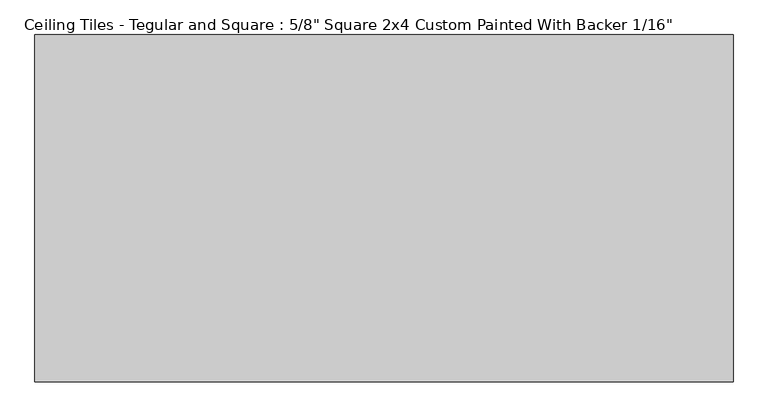
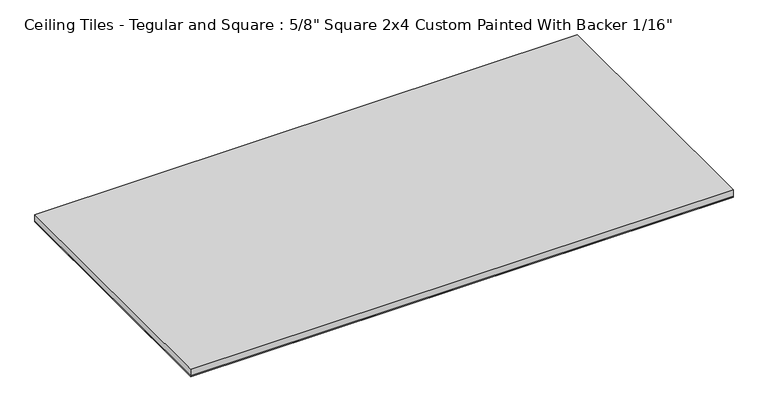
"""IFC4 building model written with IfcOpenShell, lengths in millimetres: proxy geometry."""

from ifc_helpers import new_model, si_unit, frame, origin, origin_with_axes, place, context, project, spatial, polyline, outline, extrude, source, transform, mapped, element, save


def proxy_850522a2(model_context):
    return source(origin(), model_context, "Body", "SweptSolid", [
        extrude(outline(polyline([(606.425, 301.625), (606.425, -301.625), (-606.425, -301.625), (-606.425, 301.625), (606.425, 301.625)])), origin_with_axes(), (0.0, 0.0, 1.0), 1.5875),
        extrude(outline(polyline([(-606.425, 301.625), (606.425, 301.625), (606.425, -301.625), (-606.425, -301.625), (-606.425, 301.625)])), frame((0.0, 0.0, 1.5875), z_axis=(0.0, 0.0, 1.0), x_axis=(1.0, 0.0, 0.0)), (0.0, 0.0, 1.0), 15.875),
    ])


if __name__ == "__main__":
    model = new_model("IFC4")
    model_context = context("Model", 3, world=origin())
    ifc_project = project(units=[si_unit("LENGTHUNIT", "METRE", prefix="MILLI")], contexts=[model_context])
    site = spatial("IfcSite", under=ifc_project)
    building = spatial("IfcBuilding", under=site)
    placement = place(None, origin())
    proxy_shape = proxy_850522a2(model_context)
    element("IfcBuildingElementProxy", 1, Name="Ceiling Tiles - Tegular and Square : 5/8\" Square 2x4 Custom Painted With Backer 1/16\"", ObjectType="Ceiling Tiles - Tegular and Square : 5/8\" Square 2x4 Custom Painted With Backer 1/16\"", at=placement, inside=building, context=model_context, shape_type="MappedRepresentation", body=[
        mapped(proxy_shape, transform((0.0, 0.0, 0.0), x_axis=(1.0, 0.0, 0.0), y_axis=(0.0, 1.0, 0.0), z_axis=(0.0, 0.0, 1.0))),
    ])
    save(model, "model.ifc")
